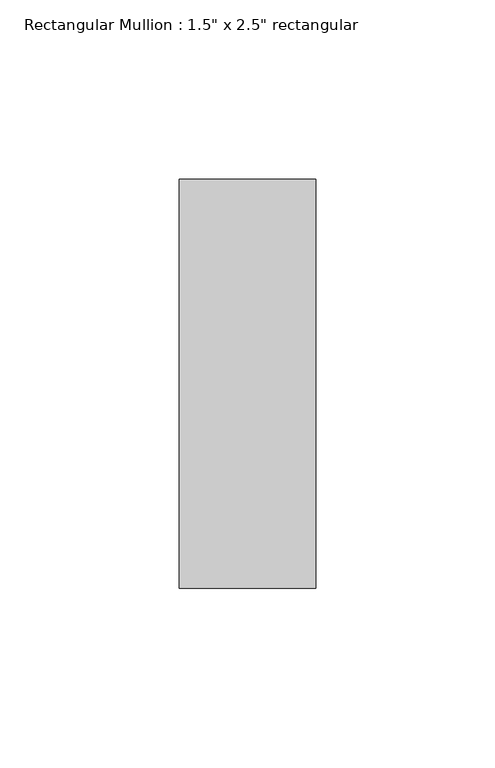
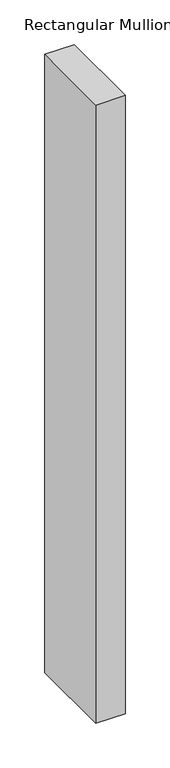
"""IFC4 building model written with IfcOpenShell, lengths in millimetres: member geometry."""

from ifc_helpers import new_model, si_unit, frame, origin, place, context, project, spatial, polyline, outline, extrude, source, transform, mapped, element, save


def member_79b07a3b(model_context):
    return source(origin(), model_context, "Body", "SweptSolid", [
        extrude(outline(polyline([(19.05, 57.15), (19.05, -57.15), (-19.05, -57.15), (-19.05, 57.15), (19.05, 57.15)])), frame((0.0, 0.0, -845.2919147), z_axis=(0.0, 0.0, 1.0), x_axis=(1.0, 0.0, 0.0)), (0.0, 0.0, 1.0), 845.2919147),
    ])


if __name__ == "__main__":
    model = new_model("IFC4")
    model_context = context("Model", 3, world=origin())
    ifc_project = project(units=[si_unit("LENGTHUNIT", "METRE", prefix="MILLI")], contexts=[model_context])
    site = spatial("IfcSite", under=ifc_project)
    building = spatial("IfcBuilding", under=site)
    placement = place(None, origin())
    member_shape = member_79b07a3b(model_context)
    element("IfcMember", 1, ObjectType="Rectangular Mullion : 1.5\" x 2.5\" rectangular", at=placement, inside=building, context=model_context, shape_type="MappedRepresentation", body=[
        mapped(member_shape, transform((0.0, 0.0, 0.0), x_axis=(1.0, 0.0, 0.0), y_axis=(0.0, 1.0, 0.0), z_axis=(0.0, 0.0, 1.0))),
    ])
    save(model, "model.ifc")
